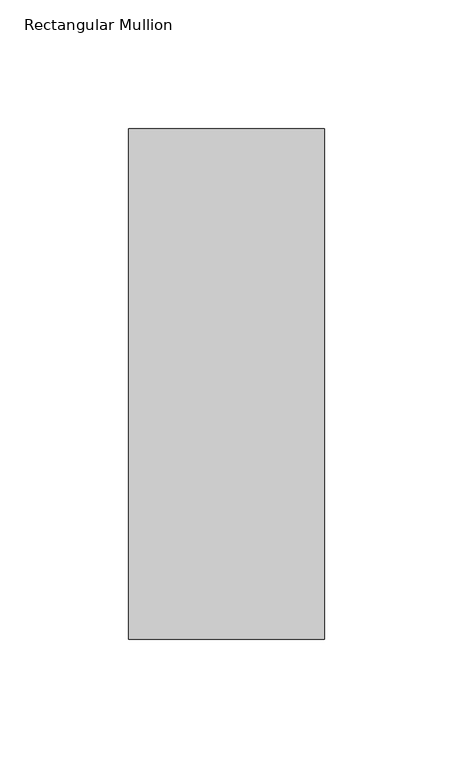
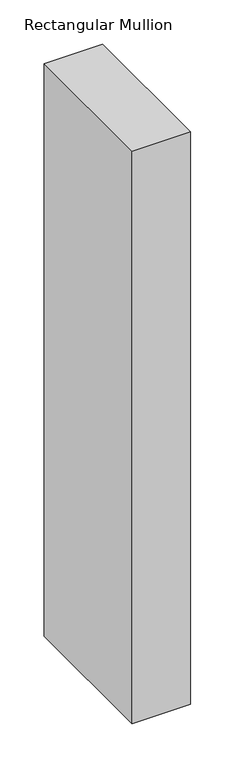
"""IFC4 building model written with IfcOpenShell, lengths in millimetres: member geometry, Rectangular Mullion."""

from ifc_helpers import new_model, si_unit, frame, origin, place, context, project, spatial, polyline, outline, extrude, source, transform, mapped, element, save


def rectangular_mullion_34c5dd50(model_context):
    return source(origin(), model_context, "Body", "SweptSolid", [
        extrude(outline(polyline([(38.1, -156.36875), (-38.1, -156.36875), (-38.1, 42.06875), (38.1, 42.06875), (38.1, -156.36875)])), frame((0.0, 0.0, -787.4), z_axis=(0.0, 0.0, 1.0), x_axis=(1.0, 0.0, 0.0)), (0.0, 0.0, 1.0), 787.4),
    ])


if __name__ == "__main__":
    model = new_model("IFC4")
    model_context = context("Model", 3, world=origin())
    ifc_project = project(units=[si_unit("LENGTHUNIT", "METRE", prefix="MILLI")], contexts=[model_context])
    site = spatial("IfcSite", under=ifc_project)
    building = spatial("IfcBuilding", under=site)
    placement = place(None, origin())
    rectangular_mullion_shape = rectangular_mullion_34c5dd50(model_context)
    element("IfcMember", 1, ObjectType="Rectangular Mullion", at=placement, inside=building, context=model_context, shape_type="MappedRepresentation", body=[
        mapped(rectangular_mullion_shape, transform((0.0, 0.0, 0.0), x_axis=(1.0, 0.0, 0.0), y_axis=(0.0, 1.0, 0.0), z_axis=(0.0, 0.0, 1.0))),
    ])
    save(model, "model.ifc")
